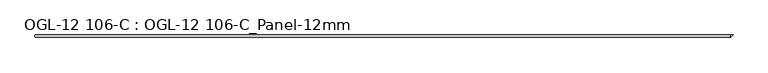
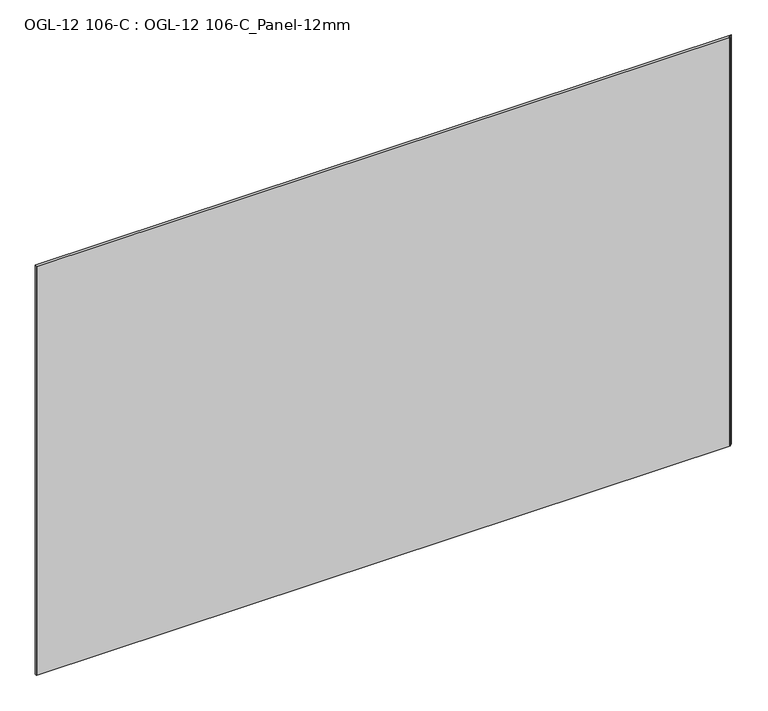
"""IFC4 building model written with IfcOpenShell, lengths in millimetres: plate geometry, OGL-12 106-C : OGL-12 106-C_Panel-12mm."""

from ifc_helpers import new_model, si_unit, origin, origin_with_axes, place, context, project, spatial, polyline, outline, extrude, source, transform, mapped, element, save


def ogl_12_106_c_ogl_12_106_c_panel_12mm_e92baf89(model_context):
    return source(origin(), model_context, "Body", "SweptSolid", [
        extrude(outline(polyline([(1875.6330201, 4.7625), (1874.0455201, 6.35), (1888.3330201, 6.35), (1872.9229881, -9.060032), (1870.2129561, -6.35), (1874.0455201, -6.35), (1875.6330201, -4.7625), (1875.6330201, 4.7625)])), origin_with_axes(), (0.0, 0.0, 1.0), 2339.9738578),
        extrude(outline(polyline([(1874.0455201, 6.35), (1875.6330201, 4.7625), (1875.6330201, -4.7625), (1874.0455201, -6.35), (-1880.3955201, -6.35), (-1881.9830201, -4.7625), (-1881.9830201, 4.7625), (-1880.3955201, 6.35), (1874.0455201, 6.35)])), origin_with_axes(), (0.0, 0.0, 1.0), 2339.9738578),
    ])


if __name__ == "__main__":
    model = new_model("IFC4")
    model_context = context("Model", 3, world=origin())
    ifc_project = project(units=[si_unit("LENGTHUNIT", "METRE", prefix="MILLI")], contexts=[model_context])
    site = spatial("IfcSite", under=ifc_project)
    building = spatial("IfcBuilding", under=site)
    placement = place(None, origin())
    ogl_12_106_c_ogl_12_106_c_panel_12mm_shape = ogl_12_106_c_ogl_12_106_c_panel_12mm_e92baf89(model_context)
    element("IfcPlate", 1, ObjectType="OGL-12 106-C : OGL-12 106-C_Panel-12mm", at=placement, inside=building, context=model_context, shape_type="MappedRepresentation", body=[
        mapped(ogl_12_106_c_ogl_12_106_c_panel_12mm_shape, transform((0.0, 0.0, 0.0), x_axis=(1.0, 0.0, 0.0), y_axis=(0.0, 1.0, 0.0), z_axis=(0.0, 0.0, 1.0))),
    ])
    save(model, "model.ifc")
